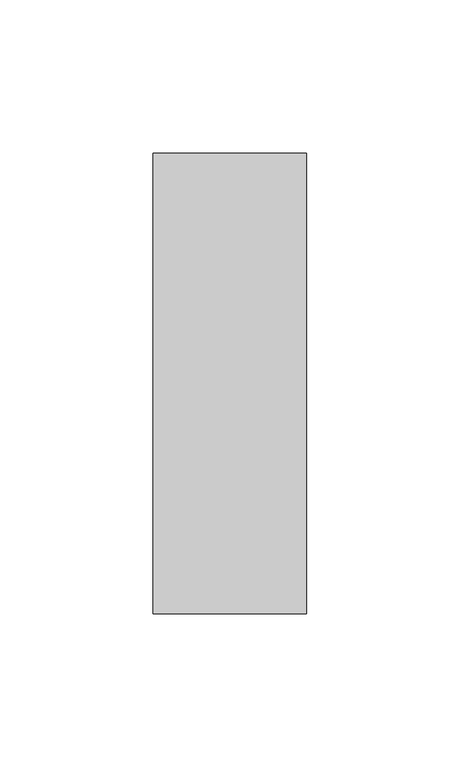
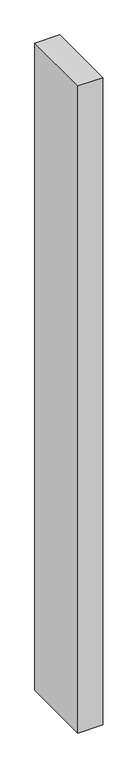
"""IFC4 building model written with IfcOpenShell, lengths in millimetres: member geometry."""

import ifcopenshell
import ifcopenshell.guid

model = None  # the IFC model being written
_history = None  # IfcOwnerHistory: only IFC2X3 demands one
_inside = {}  # id of a spatial element -> (the spatial element, [elements in it])
_under = {}  # id of a project, library or spatial element -> (it, [spatial elements below it])
_declared = {}  # id of a project -> (the project, [libraries it declares])
_typed = {}  # id of a type object -> (the type object, [elements of that type])
_made_of = {}  # id of a material, layer set ... -> (it, [elements and type objects made of it])


def new_model(schema):
    """Start an empty IFC model of exactly this schema.

    Asked for "IFC4X3", IfcOpenShell would pick the latest addendum, in which some entities
    have other attributes; the version numbers below select the first issue.
    IFC2X3 requires an IfcOwnerHistory on every rooted entity: one is made here for all.
    """
    global model, _history
    if schema == "IFC4X3":
        model = ifcopenshell.file(schema_version=(4, 3, 0, 0))
    else:
        model = ifcopenshell.file(schema=schema)
    _inside.clear()
    _under.clear()
    _declared.clear()
    _typed.clear()
    _made_of.clear()
    _history = None
    if model.schema == "IFC2X3":
        org = make("IfcOrganization", Name="unknown")
        user = make(
            "IfcPersonAndOrganization",
            ThePerson=make("IfcPerson", FamilyName="unknown"),
            TheOrganization=org,
        )
        app = make(
            "IfcApplication",
            ApplicationDeveloper=org,
            Version="unknown",
            ApplicationFullName="unknown",
            ApplicationIdentifier="unknown",
        )
        _history = make(
            "IfcOwnerHistory",
            OwningUser=user,
            OwningApplication=app,
            ChangeAction="ADDED",
            CreationDate=0,
        )
    return model


def make(cls, **values):
    """One entity of the class cls with the attributes given. An attribute that is None is left unset."""
    return model.create_entity(
        cls, **{name: value for name, value in values.items() if value is not None}
    )


def rooted(cls, **values):
    """An entity with a GlobalId (a new one), such as an element, a storey or a relation."""
    return make(cls, GlobalId=ifcopenshell.guid.new(), OwnerHistory=_history, **values)


def si_unit(unit_type, name, prefix=None):
    """IfcSIUnit, for example si_unit("LENGTHUNIT", "METRE", prefix="MILLI")."""
    return make("IfcSIUnit", UnitType=unit_type, Prefix=prefix, Name=name)


def assignment(units):
    """IfcUnitAssignment: the units of a project."""
    return None if units is None else make("IfcUnitAssignment", Units=units)


def point(xyz):
    """IfcCartesianPoint."""
    return None if xyz is None else make("IfcCartesianPoint", Coordinates=xyz)


def direction(xyz):
    """IfcDirection."""
    return None if xyz is None else make("IfcDirection", DirectionRatios=xyz)


def frame(location, z_axis=None, x_axis=None):
    """IfcAxis2Placement3D, a coordinate frame: its origin and axes. An axis left out is left unset."""
    return make(
        "IfcAxis2Placement3D",
        Location=point(location),
        Axis=direction(z_axis),
        RefDirection=direction(x_axis),
    )


def origin():
    """The frame at (0, 0, 0) with its axes left unset."""
    return frame((0.0, 0.0, 0.0))


def place(relative_to, where):
    """IfcLocalPlacement: puts the frame where relative to a parent placement (None: the world)."""
    return make(
        "IfcLocalPlacement", PlacementRelTo=relative_to, RelativePlacement=where
    )


def context(
    kind, dimensions, precision=None, world=None, true_north=None, identifier=None
):
    """IfcGeometricRepresentationContext, for example the 3D "Model" context."""
    return make(
        "IfcGeometricRepresentationContext",
        ContextIdentifier=identifier,
        ContextType=kind,
        CoordinateSpaceDimension=dimensions,
        Precision=precision,
        WorldCoordinateSystem=world,
        TrueNorth=true_north,
    )


def project(units=None, contexts=None):
    """IfcProject with its units and contexts."""
    return rooted(
        "IfcProject",
        Name="project",
        RepresentationContexts=contexts,
        UnitsInContext=assignment(units),
    )


def spatial(cls, under=None, at=None, **own):
    """A site, building, storey or space (cls), placed at a placement, below another one or the project."""
    s = rooted(cls, ObjectPlacement=at, **own)
    if under is not None:
        _under.setdefault(under.id(), (under, []))[1].append(s)
    return s


def polyline(points):
    """IfcPolyline through the points."""
    return make("IfcPolyline", Points=[point(p) for p in points])


def outline(outer, holes=None, kind="AREA"):
    """IfcArbitraryClosedProfileDef: a profile drawn as a closed curve; with holes, ...WithVoids."""
    if holes is None:
        return make("IfcArbitraryClosedProfileDef", ProfileType=kind, OuterCurve=outer)
    return make(
        "IfcArbitraryProfileDefWithVoids",
        ProfileType=kind,
        OuterCurve=outer,
        InnerCurves=holes,
    )


def extrude(swept, where, along, depth):
    """IfcExtrudedAreaSolid: the profile swept, set in the frame where, extruded along a direction by depth."""
    return make(
        "IfcExtrudedAreaSolid",
        SweptArea=swept,
        Position=where,
        ExtrudedDirection=direction(along),
        Depth=depth,
    )


def shape(context_of_items, identifier, shape_type, items):
    """IfcShapeRepresentation: the items that make up one representation, for example the "Body"."""
    return make(
        "IfcShapeRepresentation",
        ContextOfItems=context_of_items,
        RepresentationIdentifier=identifier,
        RepresentationType=shape_type,
        Items=items,
    )


def source(mapping_origin, context_of_items, identifier, shape_type, items):
    """IfcRepresentationMap: a shape defined once, which mapped items show again and again."""
    return make(
        "IfcRepresentationMap",
        MappingOrigin=mapping_origin,
        MappedRepresentation=shape(context_of_items, identifier, shape_type, items),
    )


def transform(
    local_origin,
    x_axis=None,
    y_axis=None,
    z_axis=None,
    scale=None,
    scale2=None,
    scale3=None,
    uniform=True,
):
    """IfcCartesianTransformationOperator3D, or its non-uniform kind. x_axis, y_axis, z_axis: its Axis1, 2, 3."""
    if uniform:
        return make(
            "IfcCartesianTransformationOperator3D",
            Axis1=direction(x_axis),
            Axis2=direction(y_axis),
            LocalOrigin=point(local_origin),
            Scale=scale,
            Axis3=direction(z_axis),
        )
    return make(
        "IfcCartesianTransformationOperator3DnonUniform",
        Axis1=direction(x_axis),
        Axis2=direction(y_axis),
        LocalOrigin=point(local_origin),
        Scale=scale,
        Axis3=direction(z_axis),
        Scale2=scale2,
        Scale3=scale3,
    )


def mapped(mapping_source, mapping_target):
    """IfcMappedItem: shows the shape of a source again, moved by a transform."""
    return make(
        "IfcMappedItem", MappingSource=mapping_source, MappingTarget=mapping_target
    )


def made_of(thing, what):
    """Note that an element or type object is made of a material, layer set ...; save() writes the relation."""
    if what is not None:
        _made_of.setdefault(what.id(), (what, []))[1].append(thing)
    return thing


def element(
    cls,
    number,
    at=None,
    inside=None,
    cuts=None,
    type_object=None,
    material=None,
    context=None,
    identifier="Body",
    shape_type=None,
    held_by="IfcProductDefinitionShape",
    body=None,
    shapes=None,
    **own,
):
    """One element of the class cls, such as IfcWall. Its Tag is "e" and its number.

    at: its placement. inside: the storey or other place that contains it. cuts: it is an
    opening in that element (IfcRelVoidsElement). A single representation is given by context,
    identifier, shape_type and body (its items); several are given by shapes. held_by: the class
    of the entity that holds the representations. save() writes the other relations.
    """
    e = rooted(cls, Tag="e%d" % number, ObjectPlacement=at, **own)
    if body is not None:
        shapes = [shape(context, identifier, shape_type, body)]
    if shapes is not None:
        e.Representation = make(held_by, Representations=shapes)
    if inside is not None:
        _inside.setdefault(inside.id(), (inside, []))[1].append(e)
    if cuts is not None:
        rooted(
            "IfcRelVoidsElement", RelatingBuildingElement=cuts, RelatedOpeningElement=e
        )
    if type_object is not None:
        _typed.setdefault(type_object.id(), (type_object, []))[1].append(e)
    return made_of(e, material)


def aggregate(whole, parts):
    """IfcRelAggregates: a whole, such as a stair, and the parts it consists of."""
    return rooted("IfcRelAggregates", RelatingObject=whole, RelatedObjects=parts)


def save(model, path):
    """Write the relations noted so far, then the file.

    IfcRelAggregates (storeys below a building ...), IfcRelContainedInSpatialStructure (elements
    in a storey), IfcRelDefinesByType, IfcRelAssociatesMaterial and IfcRelDeclares: one each for
    every whole, place, type object, material and project.
    """
    for whole, parts in _under.values():
        aggregate(whole, parts)
    for where, things in _inside.values():
        rooted(
            "IfcRelContainedInSpatialStructure",
            RelatedElements=things,
            RelatingStructure=where,
        )
    for kind, things in _typed.values():
        rooted("IfcRelDefinesByType", RelatedObjects=things, RelatingType=kind)
    for what, things in _made_of.values():
        rooted("IfcRelAssociatesMaterial", RelatedObjects=things, RelatingMaterial=what)
    for by, libraries in _declared.values():
        rooted("IfcRelDeclares", RelatingContext=by, RelatedDefinitions=libraries)
    model.write(path)


def member_61b3b229(model_context):
    return source(origin(), model_context, "Body", "SweptSolid", [
        extrude(outline(polyline([(0.0, 75.0), (0.0, -75.0), (-50.0, -75.0), (-50.0, 75.0), (0.0, 75.0)])), frame((0.0, 0.0, -1380.0), z_axis=(0.0, 0.0, 1.0), x_axis=(1.0, 0.0, 0.0)), (0.0, 0.0, 1.0), 1380.0),
    ])


if __name__ == "__main__":
    model = new_model("IFC4")
    model_context = context("Model", 3, world=origin())
    ifc_project = project(units=[si_unit("LENGTHUNIT", "METRE", prefix="MILLI")], contexts=[model_context])
    site = spatial("IfcSite", under=ifc_project)
    building = spatial("IfcBuilding", under=site)
    placement = place(None, origin())
    member_shape = member_61b3b229(model_context)
    element("IfcMember", 1, at=placement, inside=building, context=model_context, shape_type="MappedRepresentation", body=[
        mapped(member_shape, transform((0.0, 0.0, 0.0), x_axis=(1.0, 0.0, 0.0), y_axis=(0.0, 1.0, 0.0), z_axis=(0.0, 0.0, 1.0))),
    ])
    save(model, "model.ifc")
